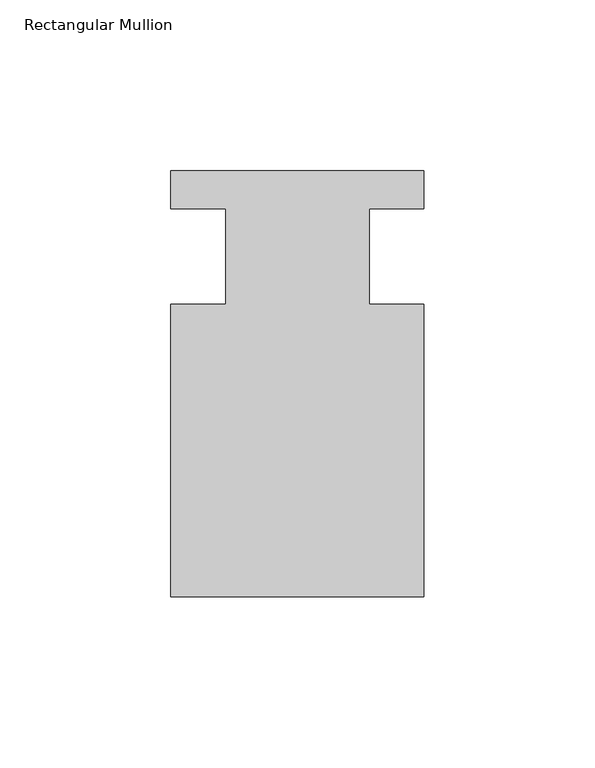
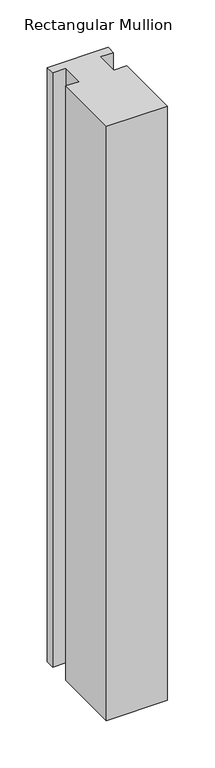
"""IFC4 building model written with IfcOpenShell, lengths in millimetres: member geometry, Rectangular Mullion."""

from ifc_helpers import new_model, si_unit, frame, origin, place, context, project, spatial, polyline, outline, extrude, source, transform, mapped, element, save


def rectangular_mullion_b201563e(model_context):
    return source(origin(), model_context, "Body", "SweptSolid", [
        extrude(outline(polyline([(-20.9800745, -13.9998907), (-20.9800745, 14.0), (-37.0, 14.0), (-37.0, 25.0), (36.9800745, 25.0), (36.9800745, 14.0), (20.9800745, 14.0), (20.9800745, -13.9998907), (37.0, -13.9998907), (37.0, -99.5), (-37.0, -99.5), (-37.0, -13.9998907), (-20.9800745, -13.9998907)])), frame((0.0, 0.0, -764.9948621), z_axis=(0.0, 0.0, 1.0), x_axis=(1.0, 0.0, 0.0)), (0.0, 0.0, 1.0), 764.9948621),
    ])


if __name__ == "__main__":
    model = new_model("IFC4")
    model_context = context("Model", 3, world=origin())
    ifc_project = project(units=[si_unit("LENGTHUNIT", "METRE", prefix="MILLI")], contexts=[model_context])
    site = spatial("IfcSite", under=ifc_project)
    building = spatial("IfcBuilding", under=site)
    placement = place(None, origin())
    rectangular_mullion_shape = rectangular_mullion_b201563e(model_context)
    element("IfcMember", 1, ObjectType="Rectangular Mullion", at=placement, inside=building, context=model_context, shape_type="MappedRepresentation", body=[
        mapped(rectangular_mullion_shape, transform((0.0, 0.0, 0.0), x_axis=(1.0, 0.0, 0.0), y_axis=(0.0, 1.0, 0.0), z_axis=(0.0, 0.0, 1.0))),
    ])
    save(model, "model.ifc")
